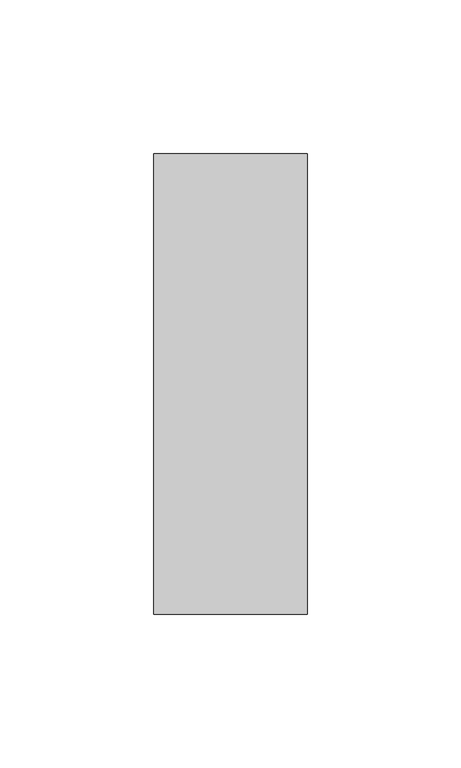
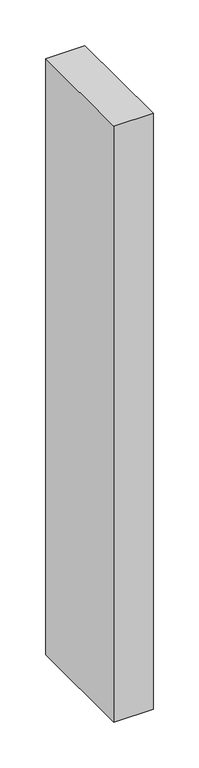
"""IFC4 building model written with IfcOpenShell, lengths in millimetres: member geometry."""

from ifc_helpers import new_model, si_unit, frame, origin, place, context, project, spatial, polyline, outline, extrude, source, transform, mapped, element, save


def member_cbae6808(model_context):
    return source(origin(), model_context, "Body", "SweptSolid", [
        extrude(outline(polyline([(0.0, 75.0), (0.0, -75.0), (-50.0, -75.0), (-50.0, 75.0), (0.0, 75.0)])), frame((0.0, 0.0, -798.8948055), z_axis=(0.0, 0.0, 1.0), x_axis=(1.0, 0.0, 0.0)), (0.0, 0.0, 1.0), 798.8948055),
    ])


if __name__ == "__main__":
    model = new_model("IFC4")
    model_context = context("Model", 3, world=origin())
    ifc_project = project(units=[si_unit("LENGTHUNIT", "METRE", prefix="MILLI")], contexts=[model_context])
    site = spatial("IfcSite", under=ifc_project)
    building = spatial("IfcBuilding", under=site)
    placement = place(None, origin())
    member_shape = member_cbae6808(model_context)
    element("IfcMember", 1, at=placement, inside=building, context=model_context, shape_type="MappedRepresentation", body=[
        mapped(member_shape, transform((0.0, 0.0, 0.0), x_axis=(1.0, 0.0, 0.0), y_axis=(0.0, 1.0, 0.0), z_axis=(0.0, 0.0, 1.0))),
    ])
    save(model, "model.ifc")
